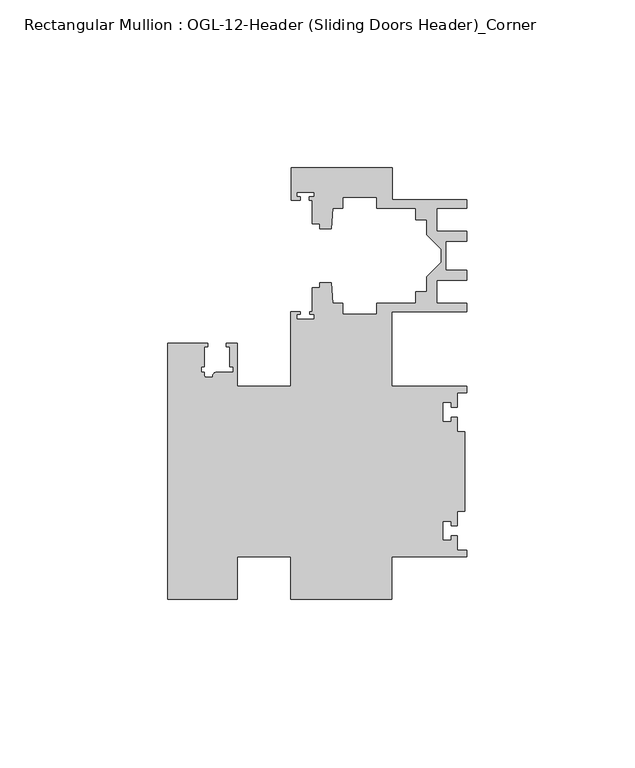
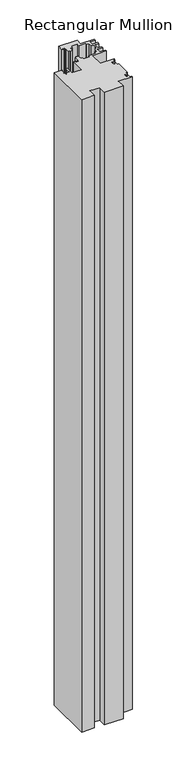
"""IFC4 building model written with IfcOpenShell, lengths in millimetres: member geometry, Rectangular Mullion : OGL-12-Header (Sliding Doors Header)_Corner."""

import ifcopenshell
import ifcopenshell.guid

model = None  # the IFC model being written
_history = None  # IfcOwnerHistory: only IFC2X3 demands one
_inside = {}  # id of a spatial element -> (the spatial element, [elements in it])
_under = {}  # id of a project, library or spatial element -> (it, [spatial elements below it])
_declared = {}  # id of a project -> (the project, [libraries it declares])
_typed = {}  # id of a type object -> (the type object, [elements of that type])
_made_of = {}  # id of a material, layer set ... -> (it, [elements and type objects made of it])


def new_model(schema):
    """Start an empty IFC model of exactly this schema.

    Asked for "IFC4X3", IfcOpenShell would pick the latest addendum, in which some entities
    have other attributes; the version numbers below select the first issue.
    IFC2X3 requires an IfcOwnerHistory on every rooted entity: one is made here for all.
    """
    global model, _history
    if schema == "IFC4X3":
        model = ifcopenshell.file(schema_version=(4, 3, 0, 0))
    else:
        model = ifcopenshell.file(schema=schema)
    _inside.clear()
    _under.clear()
    _declared.clear()
    _typed.clear()
    _made_of.clear()
    _history = None
    if model.schema == "IFC2X3":
        org = make("IfcOrganization", Name="unknown")
        user = make(
            "IfcPersonAndOrganization",
            ThePerson=make("IfcPerson", FamilyName="unknown"),
            TheOrganization=org,
        )
        app = make(
            "IfcApplication",
            ApplicationDeveloper=org,
            Version="unknown",
            ApplicationFullName="unknown",
            ApplicationIdentifier="unknown",
        )
        _history = make(
            "IfcOwnerHistory",
            OwningUser=user,
            OwningApplication=app,
            ChangeAction="ADDED",
            CreationDate=0,
        )
    return model


def make(cls, **values):
    """One entity of the class cls with the attributes given. An attribute that is None is left unset."""
    return model.create_entity(
        cls, **{name: value for name, value in values.items() if value is not None}
    )


def rooted(cls, **values):
    """An entity with a GlobalId (a new one), such as an element, a storey or a relation."""
    return make(cls, GlobalId=ifcopenshell.guid.new(), OwnerHistory=_history, **values)


def si_unit(unit_type, name, prefix=None):
    """IfcSIUnit, for example si_unit("LENGTHUNIT", "METRE", prefix="MILLI")."""
    return make("IfcSIUnit", UnitType=unit_type, Prefix=prefix, Name=name)


def assignment(units):
    """IfcUnitAssignment: the units of a project."""
    return None if units is None else make("IfcUnitAssignment", Units=units)


def point(xyz):
    """IfcCartesianPoint."""
    return None if xyz is None else make("IfcCartesianPoint", Coordinates=xyz)


def direction(xyz):
    """IfcDirection."""
    return None if xyz is None else make("IfcDirection", DirectionRatios=xyz)


def frame(location, z_axis=None, x_axis=None):
    """IfcAxis2Placement3D, a coordinate frame: its origin and axes. An axis left out is left unset."""
    return make(
        "IfcAxis2Placement3D",
        Location=point(location),
        Axis=direction(z_axis),
        RefDirection=direction(x_axis),
    )


def frame_2d(location, x_axis=None):
    """IfcAxis2Placement2D, a coordinate frame in the plane: its origin and x axis."""
    return make(
        "IfcAxis2Placement2D", Location=point(location), RefDirection=direction(x_axis)
    )


def origin():
    """The frame at (0, 0, 0) with its axes left unset."""
    return frame((0.0, 0.0, 0.0))


def place(relative_to, where):
    """IfcLocalPlacement: puts the frame where relative to a parent placement (None: the world)."""
    return make(
        "IfcLocalPlacement", PlacementRelTo=relative_to, RelativePlacement=where
    )


def context(
    kind, dimensions, precision=None, world=None, true_north=None, identifier=None
):
    """IfcGeometricRepresentationContext, for example the 3D "Model" context."""
    return make(
        "IfcGeometricRepresentationContext",
        ContextIdentifier=identifier,
        ContextType=kind,
        CoordinateSpaceDimension=dimensions,
        Precision=precision,
        WorldCoordinateSystem=world,
        TrueNorth=true_north,
    )


def project(units=None, contexts=None):
    """IfcProject with its units and contexts."""
    return rooted(
        "IfcProject",
        Name="project",
        RepresentationContexts=contexts,
        UnitsInContext=assignment(units),
    )


def spatial(cls, under=None, at=None, **own):
    """A site, building, storey or space (cls), placed at a placement, below another one or the project."""
    s = rooted(cls, ObjectPlacement=at, **own)
    if under is not None:
        _under.setdefault(under.id(), (under, []))[1].append(s)
    return s


def polyline(points):
    """IfcPolyline through the points."""
    return make("IfcPolyline", Points=[point(p) for p in points])


def circle_curve(where, radius):
    """IfcCircle in the frame where."""
    return make("IfcCircle", Position=where, Radius=radius)


def trimmed(basis, trim1, trim2, sense, master):
    """IfcTrimmedCurve: the piece of a basis curve between two trims."""
    return make(
        "IfcTrimmedCurve",
        BasisCurve=basis,
        Trim1=trim1,
        Trim2=trim2,
        SenseAgreement=sense,
        MasterRepresentation=master,
    )


def segment(curve, same_sense, transition):
    """IfcCompositeCurveSegment."""
    return make(
        "IfcCompositeCurveSegment",
        Transition=transition,
        SameSense=same_sense,
        ParentCurve=curve,
    )


def composite_curve(segments, self_intersect=None):
    """IfcCompositeCurve: segments joined end to end."""
    return make("IfcCompositeCurve", Segments=segments, SelfIntersect=self_intersect)


def outline(outer, holes=None, kind="AREA"):
    """IfcArbitraryClosedProfileDef: a profile drawn as a closed curve; with holes, ...WithVoids."""
    if holes is None:
        return make("IfcArbitraryClosedProfileDef", ProfileType=kind, OuterCurve=outer)
    return make(
        "IfcArbitraryProfileDefWithVoids",
        ProfileType=kind,
        OuterCurve=outer,
        InnerCurves=holes,
    )


def extrude(swept, where, along, depth):
    """IfcExtrudedAreaSolid: the profile swept, set in the frame where, extruded along a direction by depth."""
    return make(
        "IfcExtrudedAreaSolid",
        SweptArea=swept,
        Position=where,
        ExtrudedDirection=direction(along),
        Depth=depth,
    )


def shape(context_of_items, identifier, shape_type, items):
    """IfcShapeRepresentation: the items that make up one representation, for example the "Body"."""
    return make(
        "IfcShapeRepresentation",
        ContextOfItems=context_of_items,
        RepresentationIdentifier=identifier,
        RepresentationType=shape_type,
        Items=items,
    )


def source(mapping_origin, context_of_items, identifier, shape_type, items):
    """IfcRepresentationMap: a shape defined once, which mapped items show again and again."""
    return make(
        "IfcRepresentationMap",
        MappingOrigin=mapping_origin,
        MappedRepresentation=shape(context_of_items, identifier, shape_type, items),
    )


def transform(
    local_origin,
    x_axis=None,
    y_axis=None,
    z_axis=None,
    scale=None,
    scale2=None,
    scale3=None,
    uniform=True,
):
    """IfcCartesianTransformationOperator3D, or its non-uniform kind. x_axis, y_axis, z_axis: its Axis1, 2, 3."""
    if uniform:
        return make(
            "IfcCartesianTransformationOperator3D",
            Axis1=direction(x_axis),
            Axis2=direction(y_axis),
            LocalOrigin=point(local_origin),
            Scale=scale,
            Axis3=direction(z_axis),
        )
    return make(
        "IfcCartesianTransformationOperator3DnonUniform",
        Axis1=direction(x_axis),
        Axis2=direction(y_axis),
        LocalOrigin=point(local_origin),
        Scale=scale,
        Axis3=direction(z_axis),
        Scale2=scale2,
        Scale3=scale3,
    )


def mapped(mapping_source, mapping_target):
    """IfcMappedItem: shows the shape of a source again, moved by a transform."""
    return make(
        "IfcMappedItem", MappingSource=mapping_source, MappingTarget=mapping_target
    )


def made_of(thing, what):
    """Note that an element or type object is made of a material, layer set ...; save() writes the relation."""
    if what is not None:
        _made_of.setdefault(what.id(), (what, []))[1].append(thing)
    return thing


def element(
    cls,
    number,
    at=None,
    inside=None,
    cuts=None,
    type_object=None,
    material=None,
    context=None,
    identifier="Body",
    shape_type=None,
    held_by="IfcProductDefinitionShape",
    body=None,
    shapes=None,
    **own,
):
    """One element of the class cls, such as IfcWall. Its Tag is "e" and its number.

    at: its placement. inside: the storey or other place that contains it. cuts: it is an
    opening in that element (IfcRelVoidsElement). A single representation is given by context,
    identifier, shape_type and body (its items); several are given by shapes. held_by: the class
    of the entity that holds the representations. save() writes the other relations.
    """
    e = rooted(cls, Tag="e%d" % number, ObjectPlacement=at, **own)
    if body is not None:
        shapes = [shape(context, identifier, shape_type, body)]
    if shapes is not None:
        e.Representation = make(held_by, Representations=shapes)
    if inside is not None:
        _inside.setdefault(inside.id(), (inside, []))[1].append(e)
    if cuts is not None:
        rooted(
            "IfcRelVoidsElement", RelatingBuildingElement=cuts, RelatedOpeningElement=e
        )
    if type_object is not None:
        _typed.setdefault(type_object.id(), (type_object, []))[1].append(e)
    return made_of(e, material)


def aggregate(whole, parts):
    """IfcRelAggregates: a whole, such as a stair, and the parts it consists of."""
    return rooted("IfcRelAggregates", RelatingObject=whole, RelatedObjects=parts)


def save(model, path):
    """Write the relations noted so far, then the file.

    IfcRelAggregates (storeys below a building ...), IfcRelContainedInSpatialStructure (elements
    in a storey), IfcRelDefinesByType, IfcRelAssociatesMaterial and IfcRelDeclares: one each for
    every whole, place, type object, material and project.
    """
    for whole, parts in _under.values():
        aggregate(whole, parts)
    for where, things in _inside.values():
        rooted(
            "IfcRelContainedInSpatialStructure",
            RelatedElements=things,
            RelatingStructure=where,
        )
    for kind, things in _typed.values():
        rooted("IfcRelDefinesByType", RelatedObjects=things, RelatingType=kind)
    for what, things in _made_of.values():
        rooted("IfcRelAssociatesMaterial", RelatedObjects=things, RelatingMaterial=what)
    for by, libraries in _declared.values():
        rooted("IfcRelDeclares", RelatingContext=by, RelatedDefinitions=libraries)
    model.write(path)


def rectangular_mullion_ogl_12_header_sliding_doors_header_6115eef2(model_context):
    return source(origin(), model_context, "Body", "SweptSolid", [
        extrude(outline(composite_curve([segment(polyline([(0.0, 4.7625), (-22.2332898, 4.7625), (-22.2332898, -7.9371792), (-52.3921824, -7.9371792), (-52.3921824, 4.7625009), (-68.2683157, 4.7625009), (-68.2683157, -7.9375024), (-88.9083412, -7.9375024), (-88.9083412, 68.2624976), (-77.0967193, 68.2624976), (-77.0967193, 67.2624972), (-78.0467296, 67.2624972), (-78.0467296, 61.3772976), (-79.046696, 61.3772976), (-79.046696, 59.6772976), (-78.0467193, 59.6772976), (-78.0467193, 58.6740259)]), True, "CONTINUOUS"), segment(trimmed(circle_curve(frame_2d((-77.5467193, 58.6740259)), 0.5), [point((-78.0467193, 58.6740259))], [point((-77.5467193, 58.1740259))], True, "CARTESIAN"), True, "CONTINUOUS"), segment(polyline([(-77.5467193, 58.1740259), (-75.6077655, 58.1740259)]), True, "CONTINUOUS"), segment(trimmed(circle_curve(frame_2d((-74.44672, 58.4772975)), 1.2000001), [point((-75.6077655, 58.1740259))], [point((-74.44672, 59.6772976))], False, "CARTESIAN"), True, "CONTINUOUS"), segment(polyline([(-74.44672, 59.6772976), (-69.5467192, 59.6772976), (-69.5467192, 61.3772976), (-70.5467089, 61.3772976), (-70.5467089, 67.2624979), (-71.4967192, 67.2624979), (-71.4967192, 68.2624976), (-68.2683157, 68.2624976), (-68.2683157, 55.5625008), (-52.3921824, 55.5625008), (-52.3921824, 77.745996), (-49.5910554, 77.745996), (-49.5910554, 76.8721046), (-50.6220715, 76.8721046), (-50.6220715, 75.4943149), (-45.3220715, 75.4943149), (-45.3220715, 76.8721046), (-46.769305, 76.8721046), (-46.769305, 77.745996), (-45.9710366, 77.745996), (-45.9710366, 84.8247994), (-43.7582575, 84.8247994), (-43.7582575, 86.375852), (-40.3395523, 86.375852), (-39.7961967, 80.1652691), (-36.8419772, 80.1652691), (-36.8419772, 77.000852), (-26.7462575, 77.000852), (-26.7462575, 80.175852), (-15.0768765, 80.175852), (-15.0768765, 83.575852), (-11.8582575, 83.575852), (-11.8582575, 88.0571468), (-7.4980859, 92.4173184), (-7.4980859, 96.2965176), (-11.8582575, 100.6566892), (-11.8582575, 105.137984), (-15.0768765, 105.137984), (-15.0768765, 108.537984), (-26.7462575, 108.537984), (-26.7462575, 111.712984), (-36.8419772, 111.712984), (-36.8419772, 108.5485669), (-39.7961967, 108.5485669), (-40.3395523, 102.337984), (-43.7582575, 102.337984), (-43.7582575, 103.9254518), (-45.9710366, 103.9254518), (-45.9710366, 110.9050364), (-46.8181909, 110.9050364), (-46.8181909, 111.8781466), (-45.3220715, 111.8781466), (-45.3220715, 113.2559363), (-50.6220715, 113.2559363), (-50.6220715, 111.8781466), (-49.5692346, 111.8781466), (-49.5692346, 110.9050364), (-52.2095715, 110.9050364), (-52.2095715, 120.4877352), (-22.2032575, 120.4877352), (-22.2032575, 111.037984), (-0.0082575, 111.037984), (-0.0082575, 108.537984), (-8.8582575, 108.537984), (-8.8582575, 101.6950565), (-0.0082575, 101.6950565), (-0.0082575, 98.6950565), (-6.1582575, 98.6950565), (-6.1582575, 90.0187795), (-0.0082575, 90.0187795), (-0.0082575, 87.0187795), (-8.8582575, 87.0187795), (-8.8582575, 80.175852), (-0.0082575, 80.175852), (-0.0082575, 77.675852), (-22.2332898, 77.675852), (-22.2332898, 55.5625), (0.0, 55.5625), (0.0, 53.650676), (-2.740223, 53.650676), (-2.740223, 49.3020859), (-4.5407068, 49.3020859), (-4.5407068, 50.6896706), (-7.0406862, 50.6896706), (-7.0406862, 44.9276725), (-4.5407047, 44.9276725), (-4.5407047, 46.3230952), (-2.740223, 46.3230952), (-2.740223, 41.9666704), (-0.508, 41.9666704), (-0.508, 18.3583296), (-2.740223, 18.3583296), (-2.740223, 14.0019048), (-4.5407047, 14.0019048), (-4.5407047, 15.3973275), (-7.0406862, 15.3973275), (-7.0406862, 9.6353294), (-4.5407068, 9.6353294), (-4.5407068, 11.0229141), (-2.740223, 11.0229141), (-2.740223, 6.674324), (0.0, 6.674324), (0.0, 4.7625)]), True, "CONTINUOUS")], self_intersect=False)), frame((0.0, 0.0, -1079.5), z_axis=(0.0, 0.0, 1.0), x_axis=(1.0, 0.0, 0.0)), (0.0, 0.0, 1.0), 1079.5),
    ])


if __name__ == "__main__":
    model = new_model("IFC4")
    model_context = context("Model", 3, world=origin())
    ifc_project = project(units=[si_unit("LENGTHUNIT", "METRE", prefix="MILLI")], contexts=[model_context])
    site = spatial("IfcSite", under=ifc_project)
    building = spatial("IfcBuilding", under=site)
    placement = place(None, origin())
    rectangular_mullion_ogl_12_header_sliding_doors_header_shape = rectangular_mullion_ogl_12_header_sliding_doors_header_6115eef2(model_context)
    element("IfcMember", 1, ObjectType="Rectangular Mullion : OGL-12-Header (Sliding Doors Header)_Corner", at=placement, inside=building, context=model_context, shape_type="MappedRepresentation", body=[
        mapped(rectangular_mullion_ogl_12_header_sliding_doors_header_shape, transform((0.0, 0.0, 0.0), x_axis=(1.0, 0.0, 0.0), y_axis=(0.0, 1.0, 0.0), z_axis=(0.0, 0.0, 1.0))),
    ])
    save(model, "model.ifc")
